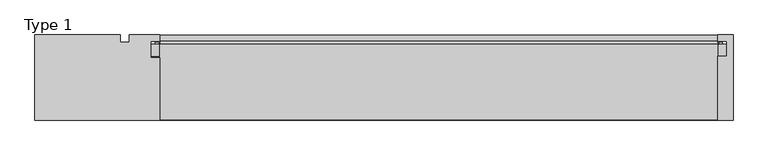
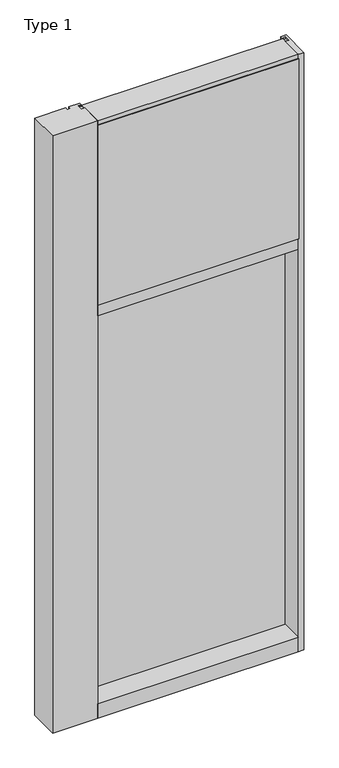
"""IFC4 building model written with IfcOpenShell, lengths in millimetres: plate geometry, Type 1."""

import ifcopenshell
import ifcopenshell.guid

model = None  # the IFC model being written
_history = None  # IfcOwnerHistory: only IFC2X3 demands one
_inside = {}  # id of a spatial element -> (the spatial element, [elements in it])
_under = {}  # id of a project, library or spatial element -> (it, [spatial elements below it])
_declared = {}  # id of a project -> (the project, [libraries it declares])
_typed = {}  # id of a type object -> (the type object, [elements of that type])
_made_of = {}  # id of a material, layer set ... -> (it, [elements and type objects made of it])


def new_model(schema):
    """Start an empty IFC model of exactly this schema.

    Asked for "IFC4X3", IfcOpenShell would pick the latest addendum, in which some entities
    have other attributes; the version numbers below select the first issue.
    IFC2X3 requires an IfcOwnerHistory on every rooted entity: one is made here for all.
    """
    global model, _history
    if schema == "IFC4X3":
        model = ifcopenshell.file(schema_version=(4, 3, 0, 0))
    else:
        model = ifcopenshell.file(schema=schema)
    _inside.clear()
    _under.clear()
    _declared.clear()
    _typed.clear()
    _made_of.clear()
    _history = None
    if model.schema == "IFC2X3":
        org = make("IfcOrganization", Name="unknown")
        user = make(
            "IfcPersonAndOrganization",
            ThePerson=make("IfcPerson", FamilyName="unknown"),
            TheOrganization=org,
        )
        app = make(
            "IfcApplication",
            ApplicationDeveloper=org,
            Version="unknown",
            ApplicationFullName="unknown",
            ApplicationIdentifier="unknown",
        )
        _history = make(
            "IfcOwnerHistory",
            OwningUser=user,
            OwningApplication=app,
            ChangeAction="ADDED",
            CreationDate=0,
        )
    return model


def make(cls, **values):
    """One entity of the class cls with the attributes given. An attribute that is None is left unset."""
    return model.create_entity(
        cls, **{name: value for name, value in values.items() if value is not None}
    )


def rooted(cls, **values):
    """An entity with a GlobalId (a new one), such as an element, a storey or a relation."""
    return make(cls, GlobalId=ifcopenshell.guid.new(), OwnerHistory=_history, **values)


def si_unit(unit_type, name, prefix=None):
    """IfcSIUnit, for example si_unit("LENGTHUNIT", "METRE", prefix="MILLI")."""
    return make("IfcSIUnit", UnitType=unit_type, Prefix=prefix, Name=name)


def assignment(units):
    """IfcUnitAssignment: the units of a project."""
    return None if units is None else make("IfcUnitAssignment", Units=units)


def point(xyz):
    """IfcCartesianPoint."""
    return None if xyz is None else make("IfcCartesianPoint", Coordinates=xyz)


def direction(xyz):
    """IfcDirection."""
    return None if xyz is None else make("IfcDirection", DirectionRatios=xyz)


def frame(location, z_axis=None, x_axis=None):
    """IfcAxis2Placement3D, a coordinate frame: its origin and axes. An axis left out is left unset."""
    return make(
        "IfcAxis2Placement3D",
        Location=point(location),
        Axis=direction(z_axis),
        RefDirection=direction(x_axis),
    )


def frame_2d(location, x_axis=None):
    """IfcAxis2Placement2D, a coordinate frame in the plane: its origin and x axis."""
    return make(
        "IfcAxis2Placement2D", Location=point(location), RefDirection=direction(x_axis)
    )


def origin():
    """The frame at (0, 0, 0) with its axes left unset."""
    return frame((0.0, 0.0, 0.0))


def place(relative_to, where):
    """IfcLocalPlacement: puts the frame where relative to a parent placement (None: the world)."""
    return make(
        "IfcLocalPlacement", PlacementRelTo=relative_to, RelativePlacement=where
    )


def context(
    kind, dimensions, precision=None, world=None, true_north=None, identifier=None
):
    """IfcGeometricRepresentationContext, for example the 3D "Model" context."""
    return make(
        "IfcGeometricRepresentationContext",
        ContextIdentifier=identifier,
        ContextType=kind,
        CoordinateSpaceDimension=dimensions,
        Precision=precision,
        WorldCoordinateSystem=world,
        TrueNorth=true_north,
    )


def project(units=None, contexts=None):
    """IfcProject with its units and contexts."""
    return rooted(
        "IfcProject",
        Name="project",
        RepresentationContexts=contexts,
        UnitsInContext=assignment(units),
    )


def spatial(cls, under=None, at=None, **own):
    """A site, building, storey or space (cls), placed at a placement, below another one or the project."""
    s = rooted(cls, ObjectPlacement=at, **own)
    if under is not None:
        _under.setdefault(under.id(), (under, []))[1].append(s)
    return s


def polyline(points):
    """IfcPolyline through the points."""
    return make("IfcPolyline", Points=[point(p) for p in points])


def circle_curve(where, radius):
    """IfcCircle in the frame where."""
    return make("IfcCircle", Position=where, Radius=radius)


def trimmed(basis, trim1, trim2, sense, master):
    """IfcTrimmedCurve: the piece of a basis curve between two trims."""
    return make(
        "IfcTrimmedCurve",
        BasisCurve=basis,
        Trim1=trim1,
        Trim2=trim2,
        SenseAgreement=sense,
        MasterRepresentation=master,
    )


def segment(curve, same_sense, transition):
    """IfcCompositeCurveSegment."""
    return make(
        "IfcCompositeCurveSegment",
        Transition=transition,
        SameSense=same_sense,
        ParentCurve=curve,
    )


def composite_curve(segments, self_intersect=None):
    """IfcCompositeCurve: segments joined end to end."""
    return make("IfcCompositeCurve", Segments=segments, SelfIntersect=self_intersect)


def outline(outer, holes=None, kind="AREA"):
    """IfcArbitraryClosedProfileDef: a profile drawn as a closed curve; with holes, ...WithVoids."""
    if holes is None:
        return make("IfcArbitraryClosedProfileDef", ProfileType=kind, OuterCurve=outer)
    return make(
        "IfcArbitraryProfileDefWithVoids",
        ProfileType=kind,
        OuterCurve=outer,
        InnerCurves=holes,
    )


def extrude(swept, where, along, depth):
    """IfcExtrudedAreaSolid: the profile swept, set in the frame where, extruded along a direction by depth."""
    return make(
        "IfcExtrudedAreaSolid",
        SweptArea=swept,
        Position=where,
        ExtrudedDirection=direction(along),
        Depth=depth,
    )


def shape(context_of_items, identifier, shape_type, items):
    """IfcShapeRepresentation: the items that make up one representation, for example the "Body"."""
    return make(
        "IfcShapeRepresentation",
        ContextOfItems=context_of_items,
        RepresentationIdentifier=identifier,
        RepresentationType=shape_type,
        Items=items,
    )


def source(mapping_origin, context_of_items, identifier, shape_type, items):
    """IfcRepresentationMap: a shape defined once, which mapped items show again and again."""
    return make(
        "IfcRepresentationMap",
        MappingOrigin=mapping_origin,
        MappedRepresentation=shape(context_of_items, identifier, shape_type, items),
    )


def transform(
    local_origin,
    x_axis=None,
    y_axis=None,
    z_axis=None,
    scale=None,
    scale2=None,
    scale3=None,
    uniform=True,
):
    """IfcCartesianTransformationOperator3D, or its non-uniform kind. x_axis, y_axis, z_axis: its Axis1, 2, 3."""
    if uniform:
        return make(
            "IfcCartesianTransformationOperator3D",
            Axis1=direction(x_axis),
            Axis2=direction(y_axis),
            LocalOrigin=point(local_origin),
            Scale=scale,
            Axis3=direction(z_axis),
        )
    return make(
        "IfcCartesianTransformationOperator3DnonUniform",
        Axis1=direction(x_axis),
        Axis2=direction(y_axis),
        LocalOrigin=point(local_origin),
        Scale=scale,
        Axis3=direction(z_axis),
        Scale2=scale2,
        Scale3=scale3,
    )


def mapped(mapping_source, mapping_target):
    """IfcMappedItem: shows the shape of a source again, moved by a transform."""
    return make(
        "IfcMappedItem", MappingSource=mapping_source, MappingTarget=mapping_target
    )


def made_of(thing, what):
    """Note that an element or type object is made of a material, layer set ...; save() writes the relation."""
    if what is not None:
        _made_of.setdefault(what.id(), (what, []))[1].append(thing)
    return thing


def element(
    cls,
    number,
    at=None,
    inside=None,
    cuts=None,
    type_object=None,
    material=None,
    context=None,
    identifier="Body",
    shape_type=None,
    held_by="IfcProductDefinitionShape",
    body=None,
    shapes=None,
    **own,
):
    """One element of the class cls, such as IfcWall. Its Tag is "e" and its number.

    at: its placement. inside: the storey or other place that contains it. cuts: it is an
    opening in that element (IfcRelVoidsElement). A single representation is given by context,
    identifier, shape_type and body (its items); several are given by shapes. held_by: the class
    of the entity that holds the representations. save() writes the other relations.
    """
    e = rooted(cls, Tag="e%d" % number, ObjectPlacement=at, **own)
    if body is not None:
        shapes = [shape(context, identifier, shape_type, body)]
    if shapes is not None:
        e.Representation = make(held_by, Representations=shapes)
    if inside is not None:
        _inside.setdefault(inside.id(), (inside, []))[1].append(e)
    if cuts is not None:
        rooted(
            "IfcRelVoidsElement", RelatingBuildingElement=cuts, RelatedOpeningElement=e
        )
    if type_object is not None:
        _typed.setdefault(type_object.id(), (type_object, []))[1].append(e)
    return made_of(e, material)


def aggregate(whole, parts):
    """IfcRelAggregates: a whole, such as a stair, and the parts it consists of."""
    return rooted("IfcRelAggregates", RelatingObject=whole, RelatedObjects=parts)


def save(model, path):
    """Write the relations noted so far, then the file.

    IfcRelAggregates (storeys below a building ...), IfcRelContainedInSpatialStructure (elements
    in a storey), IfcRelDefinesByType, IfcRelAssociatesMaterial and IfcRelDeclares: one each for
    every whole, place, type object, material and project.
    """
    for whole, parts in _under.values():
        aggregate(whole, parts)
    for where, things in _inside.values():
        rooted(
            "IfcRelContainedInSpatialStructure",
            RelatedElements=things,
            RelatingStructure=where,
        )
    for kind, things in _typed.values():
        rooted("IfcRelDefinesByType", RelatedObjects=things, RelatingType=kind)
    for what, things in _made_of.values():
        rooted("IfcRelAssociatesMaterial", RelatedObjects=things, RelatingMaterial=what)
    for by, libraries in _declared.values():
        rooted("IfcRelDeclares", RelatingContext=by, RelatedDefinitions=libraries)
    model.write(path)


def type_1_2fa9944e(model_context):
    return source(origin(), model_context, "Body", "SweptSolid", [
        extrude(outline(polyline([(-581.81875, -130.5814), (-842.191931, -130.5814), (-842.191931, 47.2163079), (-664.3690542, 47.2163079), (-664.3690542, 31.3944), (-645.31875, 31.3944), (-645.31875, 47.2186), (-581.81875, 47.2186), (-581.81875, 34.036), (-600.86875, 34.036), (-600.86875, 0.0), (-581.81875, 0.0), (-581.81875, -130.5814)])), frame((0.0, 0.0, -57.15), z_axis=(0.0, 0.0, 1.0), x_axis=(1.0, 0.0, 0.0)), (0.0, 0.0, 1.0), 3657.6),
        extrude(outline(polyline([(613.56875, -130.5814), (581.81875, -130.5814), (581.81875, 2.286), (600.86875, 2.286), (600.86875, 34.036), (581.8176608, 34.036), (581.8176608, 47.2186), (613.56875, 47.2186), (613.56875, -130.5814)])), frame((0.0, 0.0, -57.15), z_axis=(0.0, 0.0, 1.0), x_axis=(1.0, 0.0, 0.0)), (0.0, 0.0, 1.0), 3657.6),
        extrude(outline(composite_curve([segment(polyline([(-581.8952508, 34.0361122), (-582.3061962, 27.686), (-583.2727021, 27.686), (-583.3002095, 31.7563748)]), True, "CONTINUOUS"), segment(trimmed(circle_curve(frame_2d((-583.935195, 31.7520836)), 0.635), [point((-583.3002095, 31.7563748))], [point((-583.9001142, 32.3861138))], True, "CARTESIAN"), True, "CONTINUOUS"), segment(polyline([(-583.9001142, 32.3861138), (-590.6554751, 32.7598869)]), True, "CONTINUOUS"), segment(trimmed(circle_curve(frame_2d((-590.4729218, 33.7593519)), 1.016), [point((-590.6554751, 32.7598869))], [point((-591.4505004, 34.0361122))], False, "CARTESIAN"), True, "CONTINUOUS"), segment(polyline([(-591.4505004, 34.0361122), (-581.8952508, 34.0361122)]), True, "CONTINUOUS")], self_intersect=False)), frame((0.0, 0.0, 2459.3728643), z_axis=(0.0, 0.0, 1.0), x_axis=(1.0, 0.0, 0.0)), (0.0, 0.0, 1.0), 1134.7271357),
        extrude(outline(composite_curve([segment(polyline([(582.3061962, 27.686), (581.8952508, 34.0361122), (591.4505004, 34.0361122)]), True, "CONTINUOUS"), segment(trimmed(circle_curve(frame_2d((590.4729218, 33.7593519)), 1.016), [point((591.4505004, 34.0361122))], [point((590.6554751, 32.7598869))], False, "CARTESIAN"), True, "CONTINUOUS"), segment(polyline([(590.6554751, 32.7598869), (583.9001142, 32.3861138)]), True, "CONTINUOUS"), segment(trimmed(circle_curve(frame_2d((583.935195, 31.7520836)), 0.635), [point((583.9001142, 32.3861138))], [point((583.3002095, 31.7563748))], True, "CARTESIAN"), True, "CONTINUOUS"), segment(polyline([(583.3002095, 31.7563748), (583.2727021, 27.686), (582.3061962, 27.686)]), True, "CONTINUOUS")], self_intersect=False)), frame((0.0, 0.0, 2459.3728643), z_axis=(0.0, 0.0, 1.0), x_axis=(1.0, 0.0, 0.0)), (0.0, 0.0, 1.0), 1134.7271357),
        extrude(outline(polyline([(34.0361122, 2459.3728643), (27.686, 2459.3728643), (27.686, 2471.8771952), (34.0361122, 2470.1238955), (34.0361122, 2459.3728643)])), frame((-591.4505004, 0.0, 0.0), z_axis=(1.0, 0.0, 0.0), x_axis=(0.0, 1.0, 0.0)), (0.0, 0.0, 1.0), 1182.9010007),
        extrude(outline(polyline([(581.81875, -48.514), (581.81875, -131.0159103), (-581.81875, -131.0159103), (-581.81875, -48.514), (581.81875, -48.514)])), frame((0.0, 0.0, 2470.15), z_axis=(0.0, 0.0, 1.0), x_axis=(1.0, 0.0, 0.0)), (0.0, 0.0, 1.0), 1104.9),
        extrude(outline(polyline([(600.86875, 27.686), (600.86875, 2.286), (-600.86875, 2.286), (-600.86875, 27.686), (600.86875, 27.686)])), frame((0.0, 0.0, 2451.1), z_axis=(0.0, 0.0, 1.0), x_axis=(1.0, 0.0, 0.0)), (0.0, 0.0, 1.0), 1143.0),
        extrude(outline(composite_curve([segment(trimmed(circle_curve(frame_2d((-583.9362842, 31.7520836)), 0.635), [point((-583.3012987, 31.7563748))], [point((-583.9012034, 32.3861138))], True, "CARTESIAN"), True, "CONTINUOUS"), segment(polyline([(-583.9012034, 32.3861138), (-590.6565643, 32.7598869)]), True, "CONTINUOUS"), segment(trimmed(circle_curve(frame_2d((-590.4740111, 33.7593519)), 1.016), [point((-590.6565643, 32.7598869))], [point((-591.4516213, 34.036))], False, "CARTESIAN"), True, "CONTINUOUS"), segment(polyline([(-591.4516213, 34.036), (-581.8963472, 34.036), (-582.3072854, 27.686), (-583.2737913, 27.686), (-583.3012987, 31.7563748)]), True, "CONTINUOUS")], self_intersect=False)), frame((0.0, 0.0, 20.9709644), z_axis=(0.0, 0.0, 1.0), x_axis=(1.0, 0.0, 0.0)), (0.0, 0.0, 1.0), 2396.4580861),
        extrude(outline(composite_curve([segment(polyline([(582.3072854, 27.686), (581.8963472, 34.036), (591.4516213, 34.036)]), True, "CONTINUOUS"), segment(trimmed(circle_curve(frame_2d((590.4740111, 33.7593519)), 1.016), [point((591.4516213, 34.036))], [point((590.6565643, 32.7598869))], False, "CARTESIAN"), True, "CONTINUOUS"), segment(polyline([(590.6565643, 32.7598869), (583.9012034, 32.3861138)]), True, "CONTINUOUS"), segment(trimmed(circle_curve(frame_2d((583.9362842, 31.7520836)), 0.635), [point((583.9012034, 32.3861138))], [point((583.3012987, 31.7563748))], True, "CARTESIAN"), True, "CONTINUOUS"), segment(polyline([(583.3012987, 31.7563748), (583.2737913, 27.686), (582.3072854, 27.686)]), True, "CONTINUOUS")], self_intersect=False)), frame((0.0, 0.0, 20.9709644), z_axis=(0.0, 0.0, 1.0), x_axis=(1.0, 0.0, 0.0)), (0.0, 0.0, 1.0), 2396.4580861),
        extrude(outline(polyline([(600.8698392, 27.686), (600.8698392, 2.286), (-600.8698392, 2.286), (-600.8698392, 27.686), (600.8698392, 27.686)])), frame((0.0, 0.0, 12.6962001), z_axis=(0.0, 0.0, 1.0), x_axis=(1.0, 0.0, 0.0)), (0.0, 0.0, 1.0), 2413.0037999),
        extrude(outline(polyline([(27.686, 33.4752684), (34.036, 31.7219997), (34.036, 20.9709644), (27.686, 20.9709644), (27.686, 33.4752684)])), frame((-591.4516213, 0.0, 0.0), z_axis=(1.0, 0.0, 0.0), x_axis=(0.0, 1.0, 0.0)), (0.0, 0.0, 1.0), 1182.9032427),
        extrude(outline(polyline([(27.6860992, 2417.4309356), (34.0360992, 2417.4309356), (34.0360992, 2406.6798775), (27.6860992, 2404.9266088), (27.6860992, 2417.4309356)])), frame((-591.4516213, 0.0, 0.0), z_axis=(1.0, 0.0, 0.0), x_axis=(0.0, 1.0, 0.0)), (0.0, 0.0, 1.0), 1182.9032427),
        extrude(outline(polyline([(-130.0734, 3600.45), (27.686, 3600.45), (27.686, 3594.1), (0.0, 3594.1), (0.0, 3575.051832), (-130.0734, 3575.051832), (-130.0734, 3600.45)])), frame((-581.81875, 0.0, 0.0), z_axis=(1.0, 0.0, 0.0), x_axis=(0.0, 1.0, 0.0)), (0.0, 0.0, 1.0), 1163.6375),
        extrude(outline(polyline([(0.0, 2470.15), (0.0, 2451.1), (34.13125, 2451.1), (34.13125, 2470.1462001), (47.2186445, 2470.1462001), (47.2186445, 2406.6462001), (34.13125, 2406.6462001), (34.13125, 2425.7), (0.0, 2425.7), (0.0, 2406.65), (-130.175, 2406.65), (-130.175, 2470.15), (0.0, 2470.15)])), frame((-581.81875, 0.0, 0.0), z_axis=(1.0, 0.0, 0.0), x_axis=(0.0, 1.0, 0.0)), (0.0, 0.0, 1.0), 1163.6375),
        extrude(outline(polyline([(0.0, 31.75), (0.0, 12.7), (34.13125, 12.7), (34.13125, 31.751832), (47.2186148, 31.751832), (47.2186148, -57.15), (-130.175, -57.15), (-130.175, 31.75), (0.0, 31.75)])), frame((-581.81875, 0.0, 0.0), z_axis=(1.0, 0.0, 0.0), x_axis=(0.0, 1.0, 0.0)), (0.0, 0.0, 1.0), 1163.6375),
    ])


if __name__ == "__main__":
    model = new_model("IFC4")
    model_context = context("Model", 3, world=origin())
    ifc_project = project(units=[si_unit("LENGTHUNIT", "METRE", prefix="MILLI")], contexts=[model_context])
    site = spatial("IfcSite", under=ifc_project)
    building = spatial("IfcBuilding", under=site)
    placement = place(None, origin())
    type_1_shape = type_1_2fa9944e(model_context)
    element("IfcPlate", 1, ObjectType="Type 1", at=placement, inside=building, context=model_context, shape_type="MappedRepresentation", body=[
        mapped(type_1_shape, transform((0.0, 0.0, 0.0), x_axis=(1.0, 0.0, 0.0), y_axis=(0.0, 1.0, 0.0), z_axis=(0.0, 0.0, 1.0))),
    ])
    save(model, "model.ifc")
